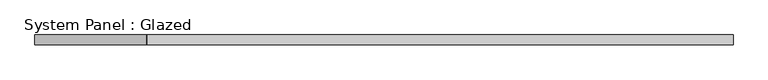
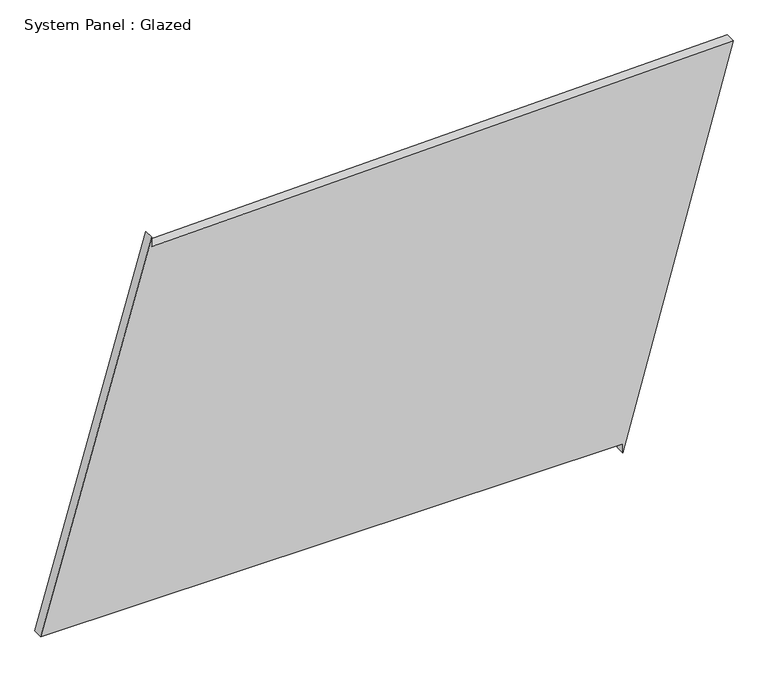
"""IFC4 building model written with IfcOpenShell, lengths in millimetres: plate geometry, System Panel : Glazed."""

from ifc_helpers import new_model, si_unit, frame, origin, place, context, project, spatial, polyline, outline, extrude, source, transform, mapped, element, save


def system_panel_glazed_35b5174c(model_context):
    return source(origin(), model_context, "Body", "SweptSolid", [
        extrude(outline(polyline([(25.0, 601.8295338), (0.0, 601.8295338), (1014.4458651, 882.5651978), (977.9764319, -598.9765565), (1002.9688611, -599.5917668), (25.0, -882.5651978), (25.0, 601.8295338)])), frame((0.0, -49.5, 0.0), z_axis=(0.0, 1.0, 0.0), x_axis=(0.0, 0.0, 1.0)), (0.0, 0.0, 1.0), 25.0),
    ])


if __name__ == "__main__":
    model = new_model("IFC4")
    model_context = context("Model", 3, world=origin())
    ifc_project = project(units=[si_unit("LENGTHUNIT", "METRE", prefix="MILLI")], contexts=[model_context])
    site = spatial("IfcSite", under=ifc_project)
    building = spatial("IfcBuilding", under=site)
    placement = place(None, origin())
    system_panel_glazed_shape = system_panel_glazed_35b5174c(model_context)
    element("IfcPlate", 1, ObjectType="System Panel : Glazed", at=placement, inside=building, context=model_context, shape_type="MappedRepresentation", body=[
        mapped(system_panel_glazed_shape, transform((0.0, 0.0, 0.0), x_axis=(1.0, 0.0, 0.0), y_axis=(0.0, 1.0, 0.0), z_axis=(0.0, 0.0, 1.0))),
    ])
    save(model, "model.ifc")
